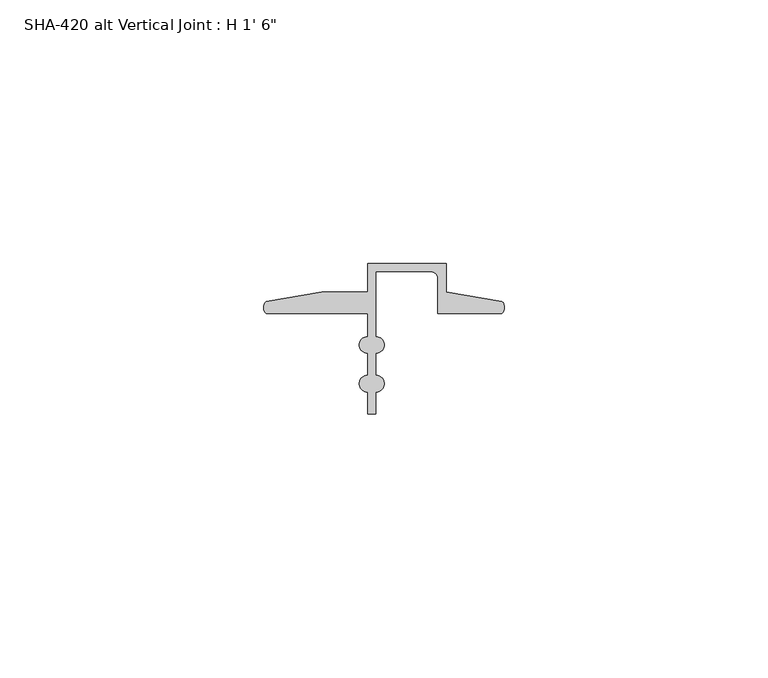
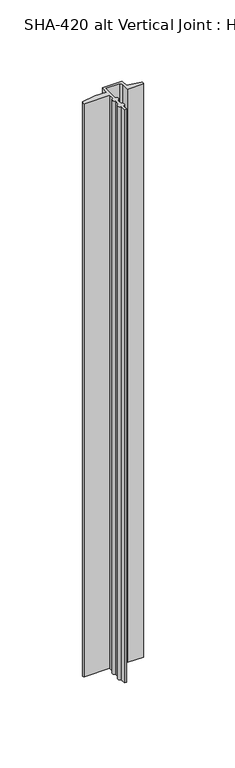
"""IFC4 building model written with IfcOpenShell, lengths in millimetres: proxy geometry."""

from ifc_helpers import new_model, si_unit, point, frame_2d, origin, origin_with_axes, place, context, project, spatial, polyline, circle_curve, trimmed, segment, composite_curve, outline, extrude, source, transform, mapped, element, save


def proxy_aefa651f(model_context):
    return source(origin(), model_context, "Body", "SweptSolid", [
        extrude(outline(composite_curve([segment(trimmed(circle_curve(frame_2d((1.6155848, 11.7336765)), 1.6162393), [point((0.5248271, 10.541))], [point((0.4587433, 12.8623692))], False, "CARTESIAN"), True, "CONTINUOUS"), segment(polyline([(0.4587433, 12.8623692), (11.0348302, 14.673343), (19.7299797, 14.673343), (19.7299797, 20.0914), (34.6397797, 20.0914), (34.6397797, 14.698743), (45.2158666, 12.8877692)]), True, "CONTINUOUS"), segment(trimmed(circle_curve(frame_2d((44.0583525, 11.7590956)), 1.6167075), [point((45.2158666, 12.8877692))], [point((45.1497828, 10.5664))], False, "CARTESIAN"), True, "CONTINUOUS"), segment(polyline([(45.1497828, 10.5664), (33.0649797, 10.5664), (33.0649797, 17.2466)]), True, "CONTINUOUS"), segment(trimmed(circle_curve(frame_2d((31.7949797, 17.2466)), 1.27), [point((33.0649797, 17.2466))], [point((31.7949797, 18.5166))], True, "CARTESIAN"), True, "CONTINUOUS"), segment(polyline([(31.7949797, 18.5166), (21.3047797, 18.5166), (21.3047797, 6.1976)]), True, "CONTINUOUS"), segment(trimmed(circle_curve(frame_2d((21.3047797, 4.6228)), 1.5748), [point((21.3047797, 6.1976))], [point((21.3047797, 3.048))], False, "CARTESIAN"), True, "CONTINUOUS"), segment(polyline([(21.3047797, 3.048), (21.3047797, -1.1557)]), True, "CONTINUOUS"), segment(trimmed(circle_curve(frame_2d((21.3047797, -2.7305)), 1.5748), [point((21.3047797, -1.1557))], [point((21.3047797, -4.3053))], False, "CARTESIAN"), True, "CONTINUOUS"), segment(polyline([(21.3047797, -4.3053), (21.3047797, -8.509), (19.7299794, -8.509), (19.7299794, -4.3053)]), True, "CONTINUOUS"), segment(trimmed(circle_curve(frame_2d((19.7299794, -2.7305)), 1.5748), [point((19.7299794, -4.3053))], [point((19.7299794, -1.1557))], False, "CARTESIAN"), True, "CONTINUOUS"), segment(polyline([(19.7299794, -1.1557), (19.7299794, 3.048)]), True, "CONTINUOUS"), segment(trimmed(circle_curve(frame_2d((19.7299794, 4.6228)), 1.5748), [point((19.7299794, 3.048))], [point((19.7299794, 6.1976))], False, "CARTESIAN"), True, "CONTINUOUS"), segment(polyline([(19.7299794, 6.1976), (19.7299794, 10.541), (0.5248271, 10.541)]), True, "CONTINUOUS")], self_intersect=False)), origin_with_axes(), (0.0, 0.0, 1.0), 457.2),
    ])


if __name__ == "__main__":
    model = new_model("IFC4")
    model_context = context("Model", 3, world=origin())
    ifc_project = project(units=[si_unit("LENGTHUNIT", "METRE", prefix="MILLI")], contexts=[model_context])
    site = spatial("IfcSite", under=ifc_project)
    building = spatial("IfcBuilding", under=site)
    placement = place(None, origin())
    proxy_shape = proxy_aefa651f(model_context)
    element("IfcBuildingElementProxy", 1, Name="SHA-420 alt Vertical Joint : H 1' 6\"", ObjectType="SHA-420 alt Vertical Joint : H 1' 6\"", at=placement, inside=building, context=model_context, shape_type="MappedRepresentation", body=[
        mapped(proxy_shape, transform((0.0, 0.0, 0.0), x_axis=(1.0, 0.0, 0.0), y_axis=(0.0, 1.0, 0.0), z_axis=(0.0, 0.0, 1.0))),
    ])
    save(model, "model.ifc")
